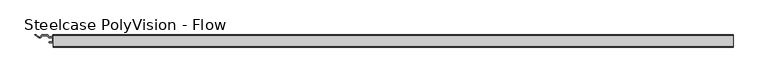
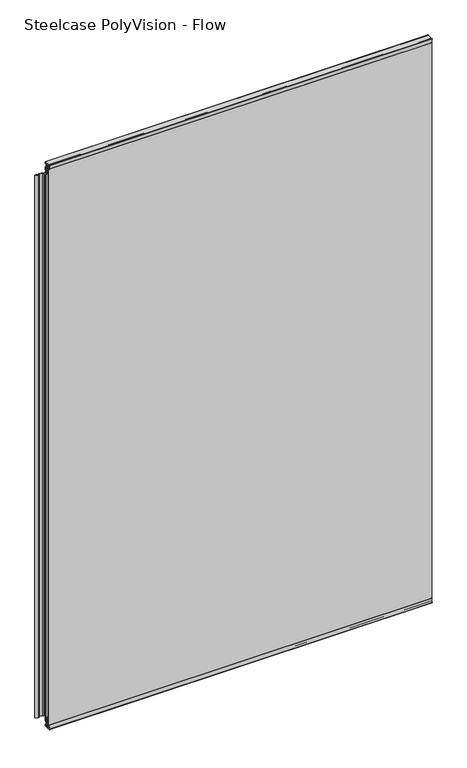
"""IFC4 building model written with IfcOpenShell, lengths in millimetres: furniture geometry, Steelcase PolyVision - Flow."""

from ifc_helpers import new_model, si_unit, point, frame, frame_2d, origin, place, context, project, spatial, polyline, circle_curve, trimmed, segment, composite_curve, outline, extrude, source, transform, mapped, element, save


def steelcase_polyvision_flow_01536e87(model_context):
    return source(origin(), model_context, "Body", "SweptSolid", [
        extrude(outline(polyline([(-2.1773004, 1827.6977202), (-2.1773004, 1826.8340763), (11.9065147, 1826.8340763), (11.9065147, 1824.149308), (7.6861579, 1824.149308), (7.6861579, 1817.1597246), (11.9065147, 1814.0934559), (11.9065147, 1804.1500962), (8.0075268, 1801.3173157), (7.7813476, 1800.4732034), (9.5131033, 1798.0), (7.5873908, 1798.0), (6.1707503, 1800.0231723), (6.1707503, 1801.7730492), (10.4011044, 1804.8465813), (10.4011044, 1813.2889188), (6.1707503, 1816.3624509), (6.1707503, 1823.2252503), (5.2024973, 1823.2252503), (4.2308366, 1824.3425727), (3.1736041, 1823.2853402), (2.1319224, 1824.3270218), (1.2210895, 1823.2415334), (0.4403969, 1824.2407744), (-0.5343781, 1823.2659994), (-1.3255269, 1823.2659994), (-1.3255269, 1824.7318758), (-2.1773004, 1824.7318758), (-2.1773004, 1823.8660166), (-5.4323759, 1824.6775981), (-5.4323759, 1826.8964971), (-2.1773004, 1827.6977202)])), frame((-587.0671964, 0.0, 0.0), z_axis=(1.0, 0.0, 0.0), x_axis=(0.0, 1.0, 0.0)), (0.0, 0.0, 1.0), 1174.1343929),
        extrude(outline(polyline([(-587.7413843, 0.0476856), (-587.7413843, 6.7743691), (-595.1878129, 6.7743691), (-597.7413843, 10.3493691), (-606.1415584, 10.3493691), (-608.7389479, 6.7743691), (-611.9925808, 6.7743691), (-618.9777191, 11.8493691), (-616.3960682, 11.8493691), (-610.1907804, 7.3409636), (-606.8911765, 11.8824787), (-596.8911765, 11.8824787), (-594.3371154, 8.3067932), (-587.741586, 8.3067932), (-587.741586, 11.8421507), (-586.3411827, 11.8421507), (-586.3411827, 8.3067932), (-579.7456533, 8.3067932), (-577.1915922, 11.8824787), (-567.1915922, 11.8824787), (-563.8919883, 7.3409636), (-557.6867004, 11.8493691), (-555.1050496, 11.8493691), (-562.0901879, 6.7743691), (-565.3438207, 6.7743691), (-567.9412103, 10.3493691), (-576.3413843, 10.3493691), (-578.8949558, 6.7743691), (-586.3413843, 6.7743691), (-586.3413843, 0.0476856), (-579.6671757, 0.0476856), (-578.6671757, -0.9523144), (-579.6671757, -1.9523144), (-594.4155929, -1.9523144), (-595.4155929, -0.9523144), (-594.4155929, 0.0476856), (-587.7413843, 0.0476856)])), frame((0.0, 0.0, 39.0), z_axis=(0.0, 0.0, 1.0), x_axis=(1.0, 0.0, 0.0)), (0.0, 0.0, 1.0), 1759.0),
        extrude(outline(composite_curve([segment(trimmed(circle_curve(frame_2d((-8.1716005, 1829.5)), 0.5), [point((-8.6715851, 1829.4960719))], [point((-8.1716005, 1830.0))], False, "CARTESIAN"), True, "CONTINUOUS"), segment(polyline([(-8.1716005, 1830.0), (11.3266235, 1830.0)]), True, "CONTINUOUS"), segment(trimmed(circle_curve(frame_2d((11.3266235, 1829.5)), 0.5), [point((11.3266235, 1830.0))], [point((11.8266235, 1829.5))], False, "CARTESIAN"), True, "CONTINUOUS"), segment(polyline([(11.8266235, 1829.5), (11.8266235, 1827.8)]), True, "CONTINUOUS"), segment(trimmed(circle_curve(frame_2d((11.3266235, 1827.8)), 0.5), [point((11.8266235, 1827.8))], [point((11.3266235, 1827.3))], False, "CARTESIAN"), True, "CONTINUOUS"), segment(polyline([(11.3266235, 1827.3), (3.5266235, 1827.3), (1.7766235, 1828.0), (-1.2361675, 1828.0)]), True, "CONTINUOUS"), segment(trimmed(circle_curve(frame_2d((-2.1069461, 1828.4916753)), 1.0), [point((-1.2361675, 1828.0))], [point((-1.9673188, 1827.5014712))], False, "CARTESIAN"), True, "CONTINUOUS"), segment(polyline([(-1.9673188, 1827.5014712), (-2.5584614, 1828.0926138), (-3.6232202, 1827.487699), (-4.1898472, 1828.1395287), (-6.5482658, 1827.54375), (-6.5482658, 1825.0125), (-5.2722627, 1824.6901588), (-3.0119913, 1824.6901588), (-1.2728233, 1825.0075276), (-1.2728233, 1824.1), (-6.2540145, 1824.1)]), True, "CONTINUOUS"), segment(trimmed(circle_curve(frame_2d((-6.2540145, 1823.6)), 0.5), [point((-6.2540145, 1824.1))], [point((-6.7536539, 1823.5810127))], True, "CARTESIAN"), True, "CONTINUOUS"), segment(polyline([(-6.7536539, 1823.5810127), (-6.4849935, 1816.5113924)]), True, "CONTINUOUS"), segment(trimmed(circle_curve(frame_2d((-6.7847771, 1816.5)), 0.3), [point((-6.4849935, 1816.5113924))], [point((-7.0765247, 1816.4301188))], False, "CARTESIAN"), True, "CONTINUOUS"), segment(trimmed(circle_curve(frame_2d((49.3766235, 1829.9521217)), 58.05), [point((-7.0765247, 1816.4301188))], [point((-8.6715851, 1829.4960719))], False, "CARTESIAN"), True, "CONTINUOUS")], self_intersect=False)), frame((-587.0671964, 0.0, 0.0), z_axis=(1.0, 0.0, 0.0), x_axis=(0.0, 1.0, 0.0)), (0.0, 0.0, 1.0), 1174.1343929),
        extrude(outline(composite_curve([segment(trimmed(circle_curve(frame_2d((49.3766235, 1.0478783)), 58.05), [point((-8.6715851, 1.5039281))], [point((-7.0765247, 14.5698812))], False, "CARTESIAN"), True, "CONTINUOUS"), segment(trimmed(circle_curve(frame_2d((-6.7847771, 14.5)), 0.3), [point((-7.0765247, 14.5698812))], [point((-6.4849935, 14.4886076))], False, "CARTESIAN"), True, "CONTINUOUS"), segment(polyline([(-6.4849935, 14.4886076), (-6.7536539, 7.4189873)]), True, "CONTINUOUS"), segment(trimmed(circle_curve(frame_2d((-6.2540145, 7.4)), 0.5), [point((-6.7536539, 7.4189873))], [point((-6.2540145, 6.9))], True, "CARTESIAN"), True, "CONTINUOUS"), segment(polyline([(-6.2540145, 6.9), (-1.2728233, 6.9), (-1.2728233, 5.9924724), (-3.0119913, 6.3098412), (-5.2722627, 6.3098412), (-6.5482658, 5.9875), (-6.5482658, 3.45625), (-4.1898472, 2.8604713), (-3.6232202, 3.512301), (-2.5584614, 2.9073862), (-1.9673188, 3.4985288)]), True, "CONTINUOUS"), segment(trimmed(circle_curve(frame_2d((-2.1069461, 2.5083247)), 1.0), [point((-1.9673188, 3.4985288))], [point((-1.2361675, 3.0))], False, "CARTESIAN"), True, "CONTINUOUS"), segment(polyline([(-1.2361675, 3.0), (1.7766235, 3.0), (3.5266235, 3.7), (11.3266235, 3.7)]), True, "CONTINUOUS"), segment(trimmed(circle_curve(frame_2d((11.3266235, 3.2)), 0.5), [point((11.3266235, 3.7))], [point((11.8266235, 3.2))], False, "CARTESIAN"), True, "CONTINUOUS"), segment(polyline([(11.8266235, 3.2), (11.8266235, 1.5)]), True, "CONTINUOUS"), segment(trimmed(circle_curve(frame_2d((11.3266235, 1.5)), 0.5), [point((11.8266235, 1.5))], [point((11.3266235, 1.0))], False, "CARTESIAN"), True, "CONTINUOUS"), segment(polyline([(11.3266235, 1.0), (-8.1716005, 1.0)]), True, "CONTINUOUS"), segment(trimmed(circle_curve(frame_2d((-8.1716005, 1.5)), 0.5), [point((-8.1716005, 1.0))], [point((-8.6715851, 1.5039281))], False, "CARTESIAN"), True, "CONTINUOUS")], self_intersect=False)), frame((-587.0671964, 0.0, 0.0), z_axis=(1.0, 0.0, 0.0), x_axis=(0.0, 1.0, 0.0)), (0.0, 0.0, 1.0), 1174.1343929),
        extrude(outline(polyline([(-2.1773004, 3.0522798), (-5.4323759, 3.8535029), (-5.4323759, 6.0724019), (-2.1773004, 6.8839834), (-2.1773004, 6.0181242), (-1.3255269, 6.0181242), (-1.3255269, 7.4840006), (-0.5343781, 7.4840006), (0.4403969, 6.5092256), (1.2210895, 7.5084666), (2.1319224, 6.4229782), (3.1736041, 7.4646598), (4.2308366, 6.4074273), (5.2024973, 7.5247497), (6.1707503, 7.5247497), (6.1707503, 14.3875491), (10.4011044, 17.4610812), (10.4011044, 25.9034187), (6.1707503, 28.9769508), (6.1707503, 30.7268277), (11.9065147, 38.9183482), (11.9065147, 36.1681457), (7.7813476, 30.2767966), (8.0075268, 29.4326843), (11.9065147, 26.5999038), (11.9065147, 16.6565441), (7.6861579, 13.5902754), (7.6861579, 6.600692), (11.9065147, 6.600692), (11.9065147, 3.9159237), (-2.1773004, 3.9159237), (-2.1773004, 3.0522798)])), frame((-587.0671964, 0.0, 0.0), z_axis=(1.0, 0.0, 0.0), x_axis=(0.0, 1.0, 0.0)), (0.0, 0.0, 1.0), 1174.1343929),
        extrude(outline(polyline([(587.0671964, -6.2220176), (587.0671964, -7.0048301), (-587.0671964, -7.0048301), (-587.0671964, -6.2220176), (587.0671964, -6.2220176)])), frame((0.0, 0.0, 7.0), z_axis=(0.0, 0.0, 1.0), x_axis=(1.0, 0.0, 0.0)), (0.0, 0.0, 1.0), 1817.0),
        extrude(outline(polyline([(585.0671964, 5.9853098), (585.0671964, 5.2024973), (-585.0671964, 5.2024973), (-585.0671964, 5.9853098), (585.0671964, 5.9853098)])), frame((0.0, 0.0, 7.0), z_axis=(0.0, 0.0, 1.0), x_axis=(1.0, 0.0, 0.0)), (0.0, 0.0, 1.0), 1817.0),
        extrude(outline(polyline([(585.0671964, 5.2024973), (585.0671964, 0.2355242), (575.0671964, 0.2355242), (575.0671964, -2.1351563), (587.0671964, -2.1351563), (587.0671964, -5.7140707), (-587.0671964, -5.7140707), (-587.0671964, -2.1351563), (-575.0671964, -2.1351563), (-575.0671964, 0.2355242), (-585.0671964, 0.2355242), (-585.0671964, 5.2024973), (585.0671964, 5.2024973)])), frame((0.0, 0.0, 7.0), z_axis=(0.0, 0.0, 1.0), x_axis=(1.0, 0.0, 0.0)), (0.0, 0.0, 1.0), 1817.0),
    ])


if __name__ == "__main__":
    model = new_model("IFC4")
    model_context = context("Model", 3, world=origin())
    ifc_project = project(units=[si_unit("LENGTHUNIT", "METRE", prefix="MILLI")], contexts=[model_context])
    site = spatial("IfcSite", under=ifc_project)
    building = spatial("IfcBuilding", under=site)
    placement = place(None, origin())
    steelcase_polyvision_flow_shape = steelcase_polyvision_flow_01536e87(model_context)
    element("IfcFurniture", 1, ObjectType="Steelcase PolyVision - Flow", at=placement, inside=building, context=model_context, shape_type="MappedRepresentation", body=[
        mapped(steelcase_polyvision_flow_shape, transform((0.0, 0.0, 0.0), x_axis=(1.0, 0.0, 0.0), y_axis=(0.0, 1.0, 0.0), z_axis=(0.0, 0.0, 1.0))),
    ])
    save(model, "model.ifc")
